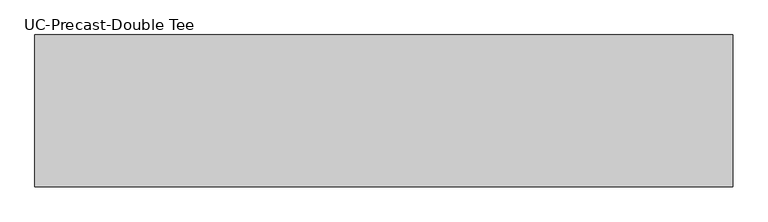
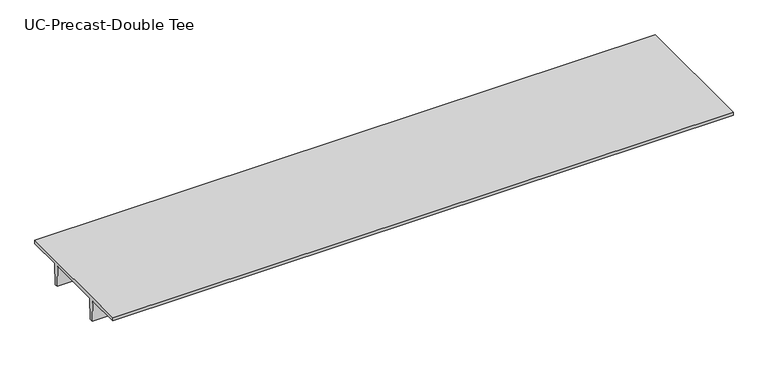
"""IFC4 building model written with IfcOpenShell, lengths in millimetres: beam geometry, UC-Precast-Double Tee."""

from ifc_helpers import new_model, si_unit, frame, origin, place, context, project, spatial, polyline, outline, extrude, source, transform, mapped, element, save


def uc_precast_double_tee_6528de24(model_context):
    return source(origin(), model_context, "Body", "SweptSolid", [
        extrude(outline(polyline([(2032.0, 381.0), (2032.0, 279.4), (990.6, 279.4), (965.2, -381.0), (863.6, -381.0), (838.2, 279.4), (-838.2, 279.4), (-863.6, -381.0), (-965.2, -381.0), (-990.6, 279.4), (-2032.0, 279.4), (-2032.0, 381.0), (2032.0, 381.0)])), frame((-9474.1999994, 0.0, 0.0), z_axis=(1.0, 0.0, 0.0), x_axis=(0.0, 1.0, 0.0)), (0.0, 0.0, 1.0), 18694.3999994),
    ])


if __name__ == "__main__":
    model = new_model("IFC4")
    model_context = context("Model", 3, world=origin())
    ifc_project = project(units=[si_unit("LENGTHUNIT", "METRE", prefix="MILLI")], contexts=[model_context])
    site = spatial("IfcSite", under=ifc_project)
    building = spatial("IfcBuilding", under=site)
    placement = place(None, origin())
    uc_precast_double_tee_shape = uc_precast_double_tee_6528de24(model_context)
    element("IfcBeam", 1, ObjectType="UC-Precast-Double Tee", at=placement, inside=building, context=model_context, shape_type="MappedRepresentation", body=[
        mapped(uc_precast_double_tee_shape, transform((0.0, 0.0, 0.0), x_axis=(1.0, 0.0, 0.0), y_axis=(0.0, 1.0, 0.0), z_axis=(0.0, 0.0, 1.0))),
    ])
    save(model, "model.ifc")
